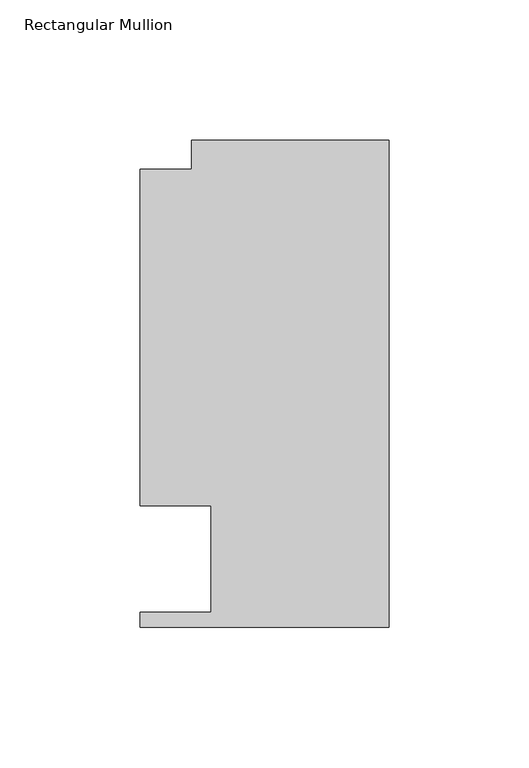
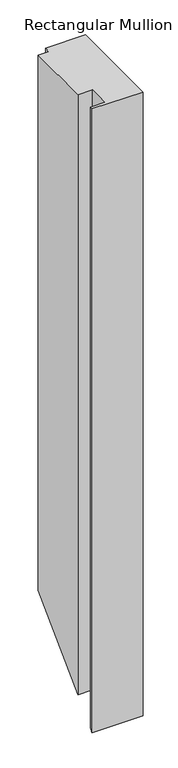
"""IFC4 building model written with IfcOpenShell, lengths in millimetres: member geometry, Rectangular Mullion."""

from ifc_helpers import new_model, si_unit, origin, place, context, project, spatial, faceted_brep, source, transform, mapped, element, save


def rectangular_mullion_a87499a4(model_context):
    return source(origin(), model_context, "Body", "Brep", [
        faceted_brep([(-88.9131928, 151.892, 0.0), (-88.9131928, 31.75, 0.0), (-63.5131928, 31.75, 0.0), (-63.5131928, -6.35, 0.0), (-88.9131928, -6.35, 0.0), (-88.9131928, -11.684, 0.0), (0.0, -11.684, 0.0), (0.0, 162.3059961, 0.0), (-70.395709, 162.3059961, 0.0), (-70.395709, 151.892, 0.0), (-88.9131928, 151.892, -988.568), (-88.9131928, 31.75, -1108.71), (-63.5131928, 31.75, -1108.71), (-63.5131928, -6.35, -1146.81), (-88.9131928, -6.35, -1146.81), (-88.9131928, -11.684, -1152.144), (0.0, -11.684, -1152.144), (0.0, 162.3059961, -978.1540039), (-70.395709, 162.3059961, -978.1540039), (-70.395709, 151.892, -988.568)], [[[0, 1, 2, 3, 4, 5, 6, 7, 8, 9]], [[1, 0, 10, 11]], [[2, 1, 11, 12]], [[3, 2, 12, 13]], [[4, 3, 13, 14]], [[5, 4, 14, 15]], [[6, 5, 15, 16]], [[7, 6, 16, 17]], [[8, 7, 17, 18]], [[9, 8, 18, 19]], [[0, 9, 19, 10]], [[10, 19, 18, 17, 16, 15, 14, 13, 12, 11]]]),
    ])


if __name__ == "__main__":
    model = new_model("IFC4")
    model_context = context("Model", 3, world=origin())
    ifc_project = project(units=[si_unit("LENGTHUNIT", "METRE", prefix="MILLI")], contexts=[model_context])
    site = spatial("IfcSite", under=ifc_project)
    building = spatial("IfcBuilding", under=site)
    placement = place(None, origin())
    rectangular_mullion_shape = rectangular_mullion_a87499a4(model_context)
    element("IfcMember", 1, ObjectType="Rectangular Mullion", at=placement, inside=building, context=model_context, shape_type="MappedRepresentation", body=[
        mapped(rectangular_mullion_shape, transform((0.0, 0.0, 0.0), x_axis=(1.0, 0.0, 0.0), y_axis=(0.0, 1.0, 0.0), z_axis=(0.0, 0.0, 1.0))),
    ])
    save(model, "model.ifc")
